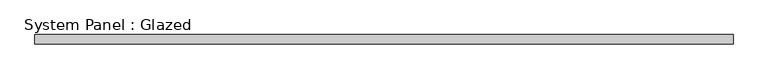
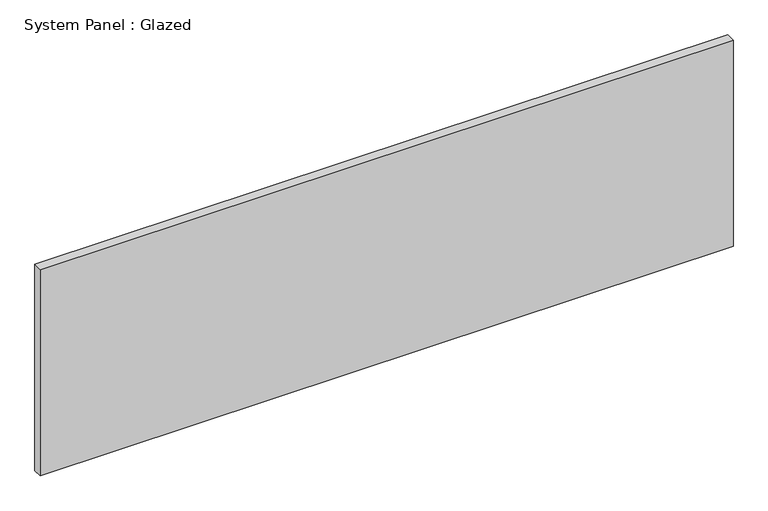
"""IFC4 building model written with IfcOpenShell, lengths in millimetres: plate geometry, System Panel : Glazed."""

from ifc_helpers import new_model, si_unit, origin, origin_with_axes, place, context, project, spatial, polyline, outline, extrude, source, transform, mapped, element, save


def system_panel_glazed_fb7d85e4(model_context):
    return source(origin(), model_context, "Body", "SweptSolid", [
        extrude(outline(polyline([(953.0, -37.5), (-953.0, -37.5), (-953.0, -12.5), (953.0, -12.5), (953.0, -37.5)])), origin_with_axes(), (0.0, 0.0, 1.0), 600.0),
    ])


if __name__ == "__main__":
    model = new_model("IFC4")
    model_context = context("Model", 3, world=origin())
    ifc_project = project(units=[si_unit("LENGTHUNIT", "METRE", prefix="MILLI")], contexts=[model_context])
    site = spatial("IfcSite", under=ifc_project)
    building = spatial("IfcBuilding", under=site)
    placement = place(None, origin())
    system_panel_glazed_shape = system_panel_glazed_fb7d85e4(model_context)
    element("IfcPlate", 1, ObjectType="System Panel : Glazed", at=placement, inside=building, context=model_context, shape_type="MappedRepresentation", body=[
        mapped(system_panel_glazed_shape, transform((0.0, 0.0, 0.0), x_axis=(1.0, 0.0, 0.0), y_axis=(0.0, 1.0, 0.0), z_axis=(0.0, 0.0, 1.0))),
    ])
    save(model, "model.ifc")
